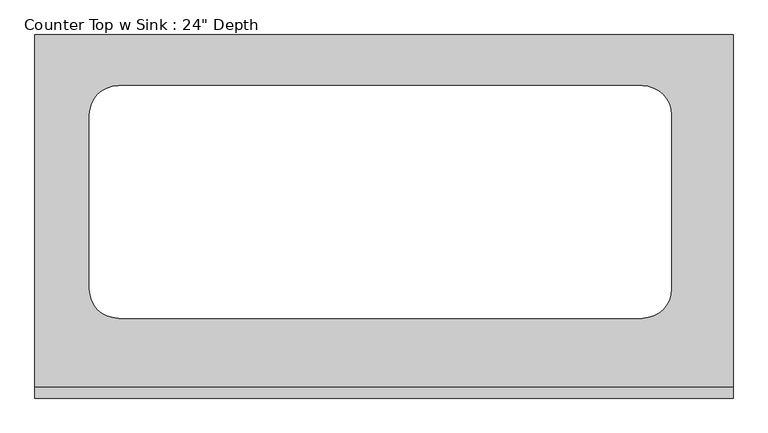
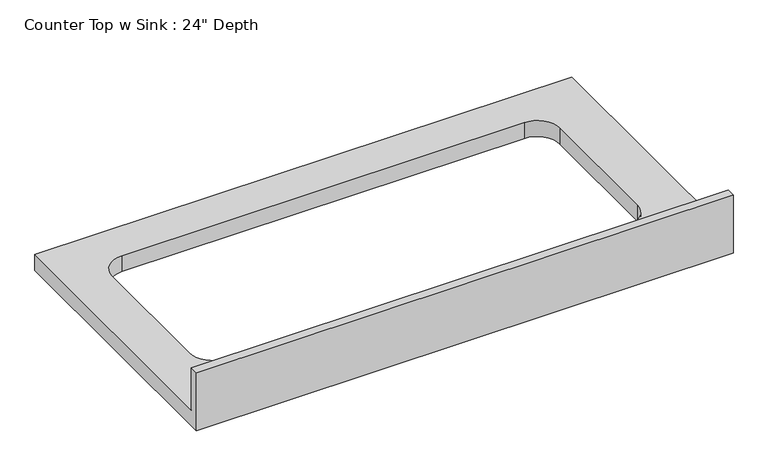
"""IFC4 building model written with IfcOpenShell, lengths in millimetres: furniture geometry."""

from ifc_helpers import new_model, si_unit, frame, origin, place, context, project, spatial, polyline, circle_curve, source, transform, mapped, element, save
from ifc_brep_helpers import plane_surface, revolved_surface, advanced_brep


def furniture_78c2c4ea(model_context):
    return source(origin(), model_context, "Body", "AdvancedBrep", [
        advanced_brep(
        [(-1200.4622951, 635.0, 914.4), (-1200.4622951, 19.05, 914.4), (18.7377049, 19.05, 914.4), (18.7377049, 635.0, 914.4), (-1054.4122951, 139.7, 914.4), (-1105.2122951, 190.5, 914.4), (-1105.2122951, 495.3, 914.4), (-1054.4122951, 546.1, 914.4), (-140.0122951, 546.1, 914.4), (-89.2122951, 495.3, 914.4), (-89.2122951, 190.5, 914.4), (-140.0122951, 139.7, 914.4), (18.7377049, 0.0, 876.3), (-1200.4622951, 0.0, 876.3), (-1200.4622951, 635.0, 876.3), (18.7377049, 635.0, 876.3), (-140.0122951, 139.7, 876.3), (-89.2122951, 190.5, 876.3), (-89.2122951, 495.3, 876.3), (-140.0122951, 546.1, 876.3), (-1054.4122951, 546.1, 876.3), (-1105.2122951, 495.3, 876.3), (-1105.2122951, 190.5, 876.3), (-1054.4122951, 139.7, 876.3), (18.7377049, 0.0, 1016.0), (-1200.4622951, 0.0, 1016.0), (-1200.4622951, 19.05, 1016.0), (18.7377049, 19.05, 1016.0)],
        [
            (0, 1),
            (1, 2),
            (2, 3),
            (3, 0),
            (4, 5, circle_curve(frame((-1054.4122951, 190.5, 914.4), z_axis=(0.0, 0.0, -1.0), x_axis=(1.0, 0.0, 0.0)), 50.8)),
            (5, 6),
            (6, 7, circle_curve(frame((-1054.4122951, 495.3, 914.4), z_axis=(0.0, 0.0, -1.0), x_axis=(1.0, 0.0, 0.0)), 50.8)),
            (7, 8),
            (8, 9, circle_curve(frame((-140.0122951, 495.3, 914.4), z_axis=(0.0, 0.0, -1.0), x_axis=(1.0, 0.0, 0.0)), 50.8)),
            (9, 10),
            (10, 11, circle_curve(frame((-140.0122951, 190.5, 914.4), z_axis=(0.0, 0.0, -1.0), x_axis=(1.0, 0.0, 0.0)), 50.8)),
            (11, 4),
            (12, 13),
            (13, 14),
            (14, 15),
            (15, 12),
            (16, 17, circle_curve(frame((-140.0122951, 190.5, 876.3), z_axis=(0.0, 0.0, 1.0), x_axis=(1.0, 0.0, 0.0)), 50.8)),
            (17, 18),
            (18, 19, circle_curve(frame((-140.0122951, 495.3, 876.3), z_axis=(0.0, 0.0, 1.0), x_axis=(1.0, 0.0, 0.0)), 50.8)),
            (19, 20),
            (20, 21, circle_curve(frame((-1054.4122951, 495.3, 876.3), z_axis=(0.0, 0.0, 1.0), x_axis=(1.0, 0.0, 0.0)), 50.8)),
            (21, 22),
            (22, 23, circle_curve(frame((-1054.4122951, 190.5, 876.3), z_axis=(0.0, 0.0, 1.0), x_axis=(1.0, 0.0, 0.0)), 50.8)),
            (23, 16),
            (12, 24),
            (24, 25),
            (25, 13),
            (25, 26),
            (26, 1),
            (0, 14),
            (3, 15),
            (2, 27),
            (27, 24),
            (27, 26),
            (11, 16),
            (23, 4),
            (22, 5),
            (21, 6),
            (20, 7),
            (19, 8),
            (18, 9),
            (17, 10),
        ],
        [
            plane_surface(frame((-1200.4622951, 0.0, 914.4), z_axis=(0.0, 0.0, 1.0), x_axis=(-1.0, 0.0, 0.0))),
            plane_surface(frame((-1200.4622951, 0.0, 876.3), z_axis=(0.0, 0.0, -1.0), x_axis=(1.0, 0.0, 0.0))),
            plane_surface(frame((18.7377049, 0.0, 914.4), z_axis=(0.0, -1.0, 0.0), x_axis=(0.0, 0.0, -1.0))),
            plane_surface(frame((-1200.4622951, 0.0, 914.4), z_axis=(-1.0, 0.0, 0.0), x_axis=(0.0, 0.0, -1.0))),
            plane_surface(frame((-1200.4622951, 635.0, 914.4), z_axis=(0.0, 1.0, 0.0), x_axis=(0.0, 0.0, -1.0))),
            plane_surface(frame((18.7377049, 635.0, 914.4), z_axis=(1.0, 0.0, 0.0), x_axis=(0.0, 0.0, -1.0))),
            plane_surface(frame((-1200.4622951, 0.0, 1016.0), z_axis=(0.0, 0.0, 1.0), x_axis=(0.0, 1.0, 0.0))),
            plane_surface(frame((-1200.4622951, 19.05, 1016.0), z_axis=(0.0, 1.0, 0.0), x_axis=(0.0, 0.0, -1.0))),
            plane_surface(frame((-140.0122951, 139.7, 914.4), z_axis=(0.0, 1.0, 0.0), x_axis=(0.0, 0.0, -1.0))),
            revolved_surface(polyline([(-1003.6122951, 190.5, 914.4), (-1003.6122951, 190.5, 876.3)]), (-1054.4122951, 190.5, 876.3), (0.0, 0.0, 1.0)),
            plane_surface(frame((-1105.2122951, 190.5, 914.4), z_axis=(1.0, 0.0, 0.0), x_axis=(0.0, 0.0, -1.0))),
            revolved_surface(polyline([(-1003.6122951, 495.3, 914.4), (-1003.6122951, 495.3, 876.3)]), (-1054.4122951, 495.3, 876.3), (0.0, 0.0, 1.0)),
            plane_surface(frame((-1054.4122951, 546.1, 914.4), z_axis=(0.0, -1.0, 0.0), x_axis=(0.0, 0.0, -1.0))),
            revolved_surface(polyline([(-89.21229509999999, 495.3, 914.4), (-89.21229509999999, 495.3, 876.3)]), (-140.0122951, 495.3, 876.3), (0.0, 0.0, 1.0)),
            plane_surface(frame((-89.2122951, 495.3, 914.4), z_axis=(-1.0, 0.0, 0.0), x_axis=(0.0, 0.0, -1.0))),
            revolved_surface(polyline([(-89.21229509999999, 190.5, 914.4), (-89.21229509999999, 190.5, 876.3)]), (-140.0122951, 190.5, 876.3), (0.0, 0.0, 1.0)),
        ],
        [
            (0, [[1, 2, 3, 4], [5, 6, 7, 8, 9, 10, 11, 12]]),
            (1, [[13, 14, 15, 16], [17, 18, 19, 20, 21, 22, 23, 24]]),
            (2, [[25, 26, 27, -13]]),
            (3, [[-27, 28, 29, -1, 30, -14]]),
            (4, [[31, -15, -30, -4]]),
            (5, [[-31, -3, 32, 33, -25, -16]]),
            (6, [[-26, -33, 34, -28]]),
            (7, [[-32, -2, -29, -34]]),
            (8, [[-12, 35, -24, 36]]),
            (9, [[-23, 37, -5, -36]]),
            (10, [[-22, 38, -6, -37]]),
            (11, [[-21, 39, -7, -38]]),
            (12, [[-20, 40, -8, -39]]),
            (13, [[-19, 41, -9, -40]]),
            (14, [[-18, 42, -10, -41]]),
            (15, [[-11, -42, -17, -35]]),
        ],
    ),
    ])


if __name__ == "__main__":
    model = new_model("IFC4")
    model_context = context("Model", 3, world=origin())
    ifc_project = project(units=[si_unit("LENGTHUNIT", "METRE", prefix="MILLI")], contexts=[model_context])
    site = spatial("IfcSite", under=ifc_project)
    building = spatial("IfcBuilding", under=site)
    placement = place(None, origin())
    furniture_shape = furniture_78c2c4ea(model_context)
    element("IfcFurniture", 1, ObjectType="Counter Top w Sink : 24\" Depth", at=placement, inside=building, context=model_context, shape_type="MappedRepresentation", body=[
        mapped(furniture_shape, transform((0.0, 0.0, 0.0), x_axis=(1.0, 0.0, 0.0), y_axis=(0.0, 1.0, 0.0), z_axis=(0.0, 0.0, 1.0))),
    ])
    save(model, "model.ifc")
